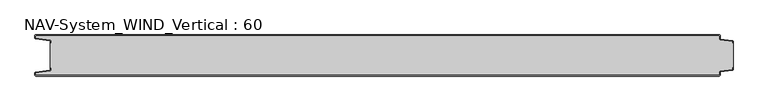
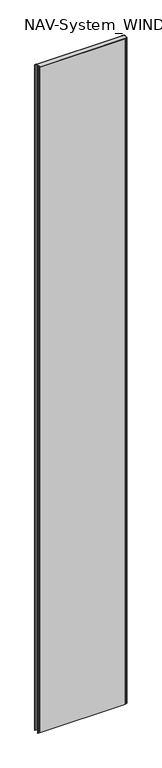
"""IFC4 building model written with IfcOpenShell, lengths in millimetres: plate geometry, NAV-System_WIND_Vertical : 60."""

from ifc_helpers import new_model, si_unit, point, frame_2d, origin, origin_with_axes, place, context, project, spatial, polyline, circle_curve, trimmed, segment, composite_curve, outline, extrude, source, transform, mapped, element, save


def nav_system_wind_vertical_60_5a0e0e79(model_context):
    return source(origin(), model_context, "Body", "SweptSolid", [
        extrude(outline(composite_curve([segment(polyline([(519.0, -48.2932637), (519.0, -50.1932637)]), True, "CONTINUOUS"), segment(trimmed(circle_curve(frame_2d((517.7, -50.1932637)), 1.3), [point((519.0, -50.1932637))], [point((517.8810287, -51.4805976))], False, "CARTESIAN"), True, "CONTINUOUS"), segment(polyline([(517.8810287, -51.4805976), (500.602523, -53.9103519)]), True, "CONTINUOUS"), segment(trimmed(circle_curve(frame_2d((500.7, -54.6035317)), 0.7), [point((500.602523, -53.9103519))], [point((500.0, -54.6035317))], True, "CARTESIAN"), True, "CONTINUOUS"), segment(polyline([(500.0, -54.6035317), (500.0, -58.7)]), True, "CONTINUOUS"), segment(trimmed(circle_curve(frame_2d((498.7, -58.7)), 1.3), [point((500.0, -58.7))], [point((498.7, -60.0))], False, "CARTESIAN"), True, "CONTINUOUS"), segment(polyline([(498.7, -60.0), (-498.7, -60.0)]), True, "CONTINUOUS"), segment(trimmed(circle_curve(frame_2d((-498.7, -58.7)), 1.3), [point((-498.7, -60.0))], [point((-500.0, -58.7))], False, "CARTESIAN"), True, "CONTINUOUS"), segment(polyline([(-500.0, -58.7), (-500.0, -55.6299809)]), True, "CONTINUOUS"), segment(trimmed(circle_curve(frame_2d((-498.7, -55.6299809)), 1.3), [point((-500.0, -55.6299809))], [point((-498.8810287, -54.342647))], False, "CARTESIAN"), True, "CONTINUOUS"), segment(polyline([(-498.8810287, -54.342647), (-478.102523, -51.4207123)]), True, "CONTINUOUS"), segment(trimmed(circle_curve(frame_2d((-478.2, -50.7275325)), 0.7), [point((-478.102523, -51.4207123))], [point((-477.5, -50.7275325))], True, "CARTESIAN"), True, "CONTINUOUS"), segment(polyline([(-477.5, -50.7275325), (-477.5, -48.3275325), (-476.7, -48.3275325), (-476.7, -50.7275325)]), True, "CONTINUOUS"), segment(trimmed(circle_curve(frame_2d((-478.2, -50.7275325)), 1.5), [point((-476.7, -50.7275325))], [point((-477.9911207, -52.2129178))], False, "CARTESIAN"), True, "CONTINUOUS"), segment(polyline([(-477.9911207, -52.2129178), (-499.2, -55.1953728), (-499.2, -58.7)]), True, "CONTINUOUS"), segment(trimmed(circle_curve(frame_2d((-498.7, -58.7)), 0.5), [point((-499.2, -58.7))], [point((-498.7, -59.2))], True, "CARTESIAN"), True, "CONTINUOUS"), segment(polyline([(-498.7, -59.2), (498.7, -59.2)]), True, "CONTINUOUS"), segment(trimmed(circle_curve(frame_2d((498.7, -58.7)), 0.5), [point((498.7, -59.2))], [point((499.2, -58.7))], True, "CARTESIAN"), True, "CONTINUOUS"), segment(polyline([(499.2, -58.7), (499.2, -54.6035317)]), True, "CONTINUOUS"), segment(trimmed(circle_curve(frame_2d((500.7, -54.6035317)), 1.5), [point((499.2, -54.6035317))], [point((500.4911207, -53.1181464))], False, "CARTESIAN"), True, "CONTINUOUS"), segment(polyline([(500.4911207, -53.1181464), (518.2, -50.6278717), (518.2, -48.2932637), (519.0, -48.2932637)]), True, "CONTINUOUS")], self_intersect=False)), origin_with_axes(), (0.0, 0.0, 1.0), 8000.0),
        extrude(outline(composite_curve([segment(polyline([(519.0, -11.7067363), (518.2, -11.7067363), (518.2, -9.3721283), (500.4911207, -6.8818536)]), True, "CONTINUOUS"), segment(trimmed(circle_curve(frame_2d((500.7, -5.3964683)), 1.5), [point((500.4911207, -6.8818536))], [point((499.2, -5.3964683))], False, "CARTESIAN"), True, "CONTINUOUS"), segment(polyline([(499.2, -5.3964683), (499.2, -1.3)]), True, "CONTINUOUS"), segment(trimmed(circle_curve(frame_2d((498.7, -1.3)), 0.5), [point((499.2, -1.3))], [point((498.7, -0.8))], True, "CARTESIAN"), True, "CONTINUOUS"), segment(polyline([(498.7, -0.8), (-498.7, -0.8)]), True, "CONTINUOUS"), segment(trimmed(circle_curve(frame_2d((-498.7, -1.3)), 0.5), [point((-498.7, -0.8))], [point((-499.2, -1.3))], True, "CARTESIAN"), True, "CONTINUOUS"), segment(polyline([(-499.2, -1.3), (-499.2, -4.8046272), (-477.9911207, -7.7870822)]), True, "CONTINUOUS"), segment(trimmed(circle_curve(frame_2d((-478.2, -9.2724675)), 1.5), [point((-477.9911207, -7.7870822))], [point((-476.7, -9.2724675))], False, "CARTESIAN"), True, "CONTINUOUS"), segment(polyline([(-476.7, -9.2724675), (-476.7, -11.6724675), (-477.5, -11.6724675), (-477.5, -9.2724675)]), True, "CONTINUOUS"), segment(trimmed(circle_curve(frame_2d((-478.2, -9.2724675)), 0.7), [point((-477.5, -9.2724675))], [point((-478.102523, -8.5792877))], True, "CARTESIAN"), True, "CONTINUOUS"), segment(polyline([(-478.102523, -8.5792877), (-498.8810287, -5.657353)]), True, "CONTINUOUS"), segment(trimmed(circle_curve(frame_2d((-498.7, -4.3700191)), 1.3), [point((-498.8810287, -5.657353))], [point((-500.0, -4.3700191))], False, "CARTESIAN"), True, "CONTINUOUS"), segment(polyline([(-500.0, -4.3700191), (-500.0, -1.3)]), True, "CONTINUOUS"), segment(trimmed(circle_curve(frame_2d((-498.7, -1.3)), 1.3), [point((-500.0, -1.3))], [point((-498.7, 0.0))], False, "CARTESIAN"), True, "CONTINUOUS"), segment(polyline([(-498.7, 0.0), (498.7, 0.0)]), True, "CONTINUOUS"), segment(trimmed(circle_curve(frame_2d((498.7, -1.3)), 1.3), [point((498.7, 0.0))], [point((500.0, -1.3))], False, "CARTESIAN"), True, "CONTINUOUS"), segment(polyline([(500.0, -1.3), (500.0, -5.3964683)]), True, "CONTINUOUS"), segment(trimmed(circle_curve(frame_2d((500.7, -5.3964683)), 0.7), [point((500.0, -5.3964683))], [point((500.602523, -6.0896481))], True, "CARTESIAN"), True, "CONTINUOUS"), segment(polyline([(500.602523, -6.0896481), (517.8810287, -8.5194024)]), True, "CONTINUOUS"), segment(trimmed(circle_curve(frame_2d((517.7, -9.8067363)), 1.3), [point((517.8810287, -8.5194024))], [point((519.0, -9.8067363))], False, "CARTESIAN"), True, "CONTINUOUS"), segment(polyline([(519.0, -9.8067363), (519.0, -11.7067363)]), True, "CONTINUOUS")], self_intersect=False)), origin_with_axes(), (0.0, 0.0, 1.0), 8000.0),
        extrude(outline(composite_curve([segment(polyline([(500.4911207, -6.8818536), (518.2, -9.3721283), (518.2, -11.6767555), (519.0, -11.6767555), (519.0, -48.2767555), (518.2, -48.2767555), (518.2, -50.6278717), (500.4911207, -53.1181464)]), True, "CONTINUOUS"), segment(trimmed(circle_curve(frame_2d((500.7, -54.6035317)), 1.5), [point((500.4911207, -53.1181464))], [point((499.2, -54.6035317))], True, "CARTESIAN"), True, "CONTINUOUS"), segment(polyline([(499.2, -54.6035317), (499.2, -58.7)]), True, "CONTINUOUS"), segment(trimmed(circle_curve(frame_2d((498.7, -58.7)), 0.5), [point((499.2, -58.7))], [point((498.7, -59.2))], False, "CARTESIAN"), True, "CONTINUOUS"), segment(polyline([(498.7, -59.2), (-498.7, -59.2)]), True, "CONTINUOUS"), segment(trimmed(circle_curve(frame_2d((-498.7, -58.7)), 0.5), [point((-498.7, -59.2))], [point((-499.2, -58.7))], False, "CARTESIAN"), True, "CONTINUOUS"), segment(polyline([(-499.2, -58.7), (-499.2, -55.1953728), (-477.9911207, -52.2129178)]), True, "CONTINUOUS"), segment(trimmed(circle_curve(frame_2d((-478.2, -50.7275325)), 1.5), [point((-477.9911207, -52.2129178))], [point((-476.7, -50.7275325))], True, "CARTESIAN"), True, "CONTINUOUS"), segment(polyline([(-476.7, -50.7275325), (-476.7, -48.2767555), (-477.5, -48.2767555), (-477.5, -11.6767555), (-476.7, -11.6767555), (-476.7, -9.2724675)]), True, "CONTINUOUS"), segment(trimmed(circle_curve(frame_2d((-478.2, -9.2724675)), 1.5), [point((-476.7, -9.2724675))], [point((-477.9911207, -7.7870822))], True, "CARTESIAN"), True, "CONTINUOUS"), segment(polyline([(-477.9911207, -7.7870822), (-499.2, -4.8046272), (-499.2, -1.3)]), True, "CONTINUOUS"), segment(trimmed(circle_curve(frame_2d((-498.7, -1.3)), 0.5), [point((-499.2, -1.3))], [point((-498.7, -0.8))], False, "CARTESIAN"), True, "CONTINUOUS"), segment(polyline([(-498.7, -0.8), (498.7, -0.8)]), True, "CONTINUOUS"), segment(trimmed(circle_curve(frame_2d((498.7, -1.3)), 0.5), [point((498.7, -0.8))], [point((499.2, -1.3))], False, "CARTESIAN"), True, "CONTINUOUS"), segment(polyline([(499.2, -1.3), (499.2, -5.3964683)]), True, "CONTINUOUS"), segment(trimmed(circle_curve(frame_2d((500.7, -5.3964683)), 1.5), [point((499.2, -5.3964683))], [point((500.4911207, -6.8818536))], True, "CARTESIAN"), True, "CONTINUOUS")], self_intersect=False)), origin_with_axes(), (0.0, 0.0, 1.0), 8000.0),
    ])


if __name__ == "__main__":
    model = new_model("IFC4")
    model_context = context("Model", 3, world=origin())
    ifc_project = project(units=[si_unit("LENGTHUNIT", "METRE", prefix="MILLI")], contexts=[model_context])
    site = spatial("IfcSite", under=ifc_project)
    building = spatial("IfcBuilding", under=site)
    placement = place(None, origin())
    nav_system_wind_vertical_60_shape = nav_system_wind_vertical_60_5a0e0e79(model_context)
    element("IfcPlate", 1, ObjectType="NAV-System_WIND_Vertical : 60", at=placement, inside=building, context=model_context, shape_type="MappedRepresentation", body=[
        mapped(nav_system_wind_vertical_60_shape, transform((0.0, 0.0, 0.0), x_axis=(1.0, 0.0, 0.0), y_axis=(0.0, 1.0, 0.0), z_axis=(0.0, 0.0, 1.0))),
    ])
    save(model, "model.ifc")
